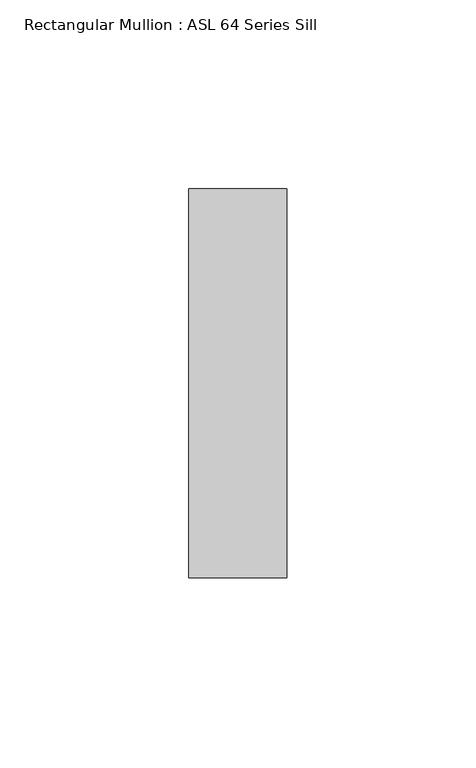
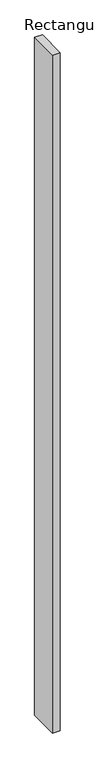
"""IFC4 building model written with IfcOpenShell, lengths in millimetres: member geometry, Rectangular Mullion : ASL 64 Series Sill."""

from ifc_helpers import new_model, si_unit, frame, origin, place, context, project, spatial, polyline, outline, extrude, source, transform, mapped, element, save


def rectangular_mullion_asl_64_series_sill_88db6e3b(model_context):
    return source(origin(), model_context, "Body", "SweptSolid", [
        extrude(outline(polyline([(-26.0, 51.5), (0.0, 51.5), (0.0, -51.5), (-26.0, -51.5), (-26.0, 51.5)])), frame((0.0, 0.0, -2400.0), z_axis=(0.0, 0.0, 1.0), x_axis=(1.0, 0.0, 0.0)), (0.0, 0.0, 1.0), 2400.0),
    ])


if __name__ == "__main__":
    model = new_model("IFC4")
    model_context = context("Model", 3, world=origin())
    ifc_project = project(units=[si_unit("LENGTHUNIT", "METRE", prefix="MILLI")], contexts=[model_context])
    site = spatial("IfcSite", under=ifc_project)
    building = spatial("IfcBuilding", under=site)
    placement = place(None, origin())
    rectangular_mullion_asl_64_series_sill_shape = rectangular_mullion_asl_64_series_sill_88db6e3b(model_context)
    element("IfcMember", 1, ObjectType="Rectangular Mullion : ASL 64 Series Sill", at=placement, inside=building, context=model_context, shape_type="MappedRepresentation", body=[
        mapped(rectangular_mullion_asl_64_series_sill_shape, transform((0.0, 0.0, 0.0), x_axis=(1.0, 0.0, 0.0), y_axis=(0.0, 1.0, 0.0), z_axis=(0.0, 0.0, 1.0))),
    ])
    save(model, "model.ifc")
